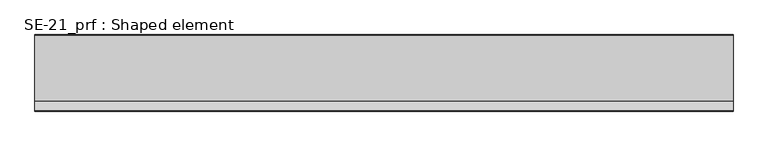
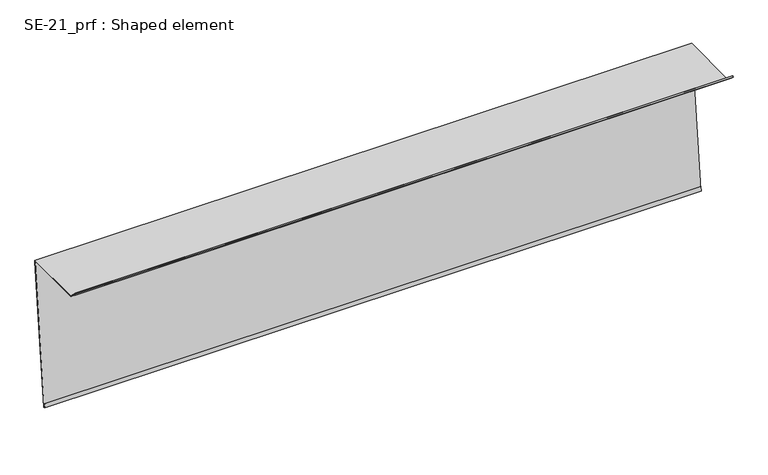
"""IFC4 building model written with IfcOpenShell, lengths in millimetres: proxy geometry, SE-21_prf : Shaped element."""

from ifc_helpers import new_model, si_unit, origin, place, context, project, spatial, faceted_brep, source, transform, mapped, element, save


def se_21_prf_shaped_element_3bcace6b(model_context):
    return source(origin(), model_context, "Body", "Brep", [
        faceted_brep([(0.0, 5.0275414, 0.0), (0.0, 4.0220331, 0.0), (0.0, 4.1271374, 1.0), (0.0, -145.1764637, 1.0), (0.0, -165.9754536, 21.7989899), (0.0, -166.6825603, 21.0918831), (0.0, -160.3185993, 14.7279221), (0.0, -161.0257061, 14.0208153), (0.0, -168.0967739, 21.0918831), (0.0, -165.9754536, 23.2132034), (0.0, -144.7622501, 2.0), (0.0, 5.2377499, 2.0), (0.0, -31.7589409, -350.0), (0.0, -34.7425066, -349.6864146), (0.0, -33.697222, -339.7411957), (0.0, -32.7027001, -339.8457241), (0.0, -33.6434563, -348.7964212), (0.0, -32.6489344, -348.9009496), (1580.0, 4.0220331, 0.0), (1580.0, 5.0275414, 0.0), (1580.0, 5.2377499, 2.0), (1580.0, -144.7622501, 2.0), (1580.0, -165.9754536, 23.2132034), (1580.0, -168.0967739, 21.0918831), (1580.0, -161.0257061, 14.0208153), (1580.0, -160.3185993, 14.7279221), (1580.0, -166.6825603, 21.0918831), (1580.0, -165.9754536, 21.7989899), (1580.0, -145.1764637, 1.0), (1580.0, 4.1271374, 1.0), (1580.0, -32.6489344, -348.9009496), (1580.0, -33.6434563, -348.7964212), (1580.0, -32.7027001, -339.8457241), (1580.0, -33.697222, -339.7411957), (1580.0, -34.7425066, -349.6864146), (1580.0, -31.7589409, -350.0)], [[[0, 1, 2, 3, 4, 5, 6, 7, 8, 9, 10, 11]], [[1, 0, 12, 13, 14, 15, 16, 17]], [[18, 19, 20, 21, 22, 23, 24, 25, 26, 27, 28, 29]], [[19, 18, 30, 31, 32, 33, 34, 35]], [[8, 7, 24, 23]], [[14, 13, 34, 33]], [[13, 12, 35, 34]], [[6, 5, 26, 25]], [[5, 4, 27, 26]], [[4, 3, 28, 27]], [[3, 2, 29, 28]], [[2, 1, 17, 30, 18, 29]], [[17, 16, 31, 30]], [[16, 15, 32, 31]], [[15, 14, 33, 32]], [[7, 6, 25, 24]], [[0, 11, 20, 19, 35, 12]], [[11, 10, 21, 20]], [[10, 9, 22, 21]], [[9, 8, 23, 22]]]),
    ])


if __name__ == "__main__":
    model = new_model("IFC4")
    model_context = context("Model", 3, world=origin())
    ifc_project = project(units=[si_unit("LENGTHUNIT", "METRE", prefix="MILLI")], contexts=[model_context])
    site = spatial("IfcSite", under=ifc_project)
    building = spatial("IfcBuilding", under=site)
    placement = place(None, origin())
    se_21_prf_shaped_element_shape = se_21_prf_shaped_element_3bcace6b(model_context)
    element("IfcBuildingElementProxy", 1, Name="SE-21_prf : Shaped element", ObjectType="SE-21_prf : Shaped element", at=placement, inside=building, context=model_context, shape_type="MappedRepresentation", body=[
        mapped(se_21_prf_shaped_element_shape, transform((0.0, 0.0, 0.0), x_axis=(1.0, 0.0, 0.0), y_axis=(0.0, 1.0, 0.0), z_axis=(0.0, 0.0, 1.0))),
    ])
    save(model, "model.ifc")
